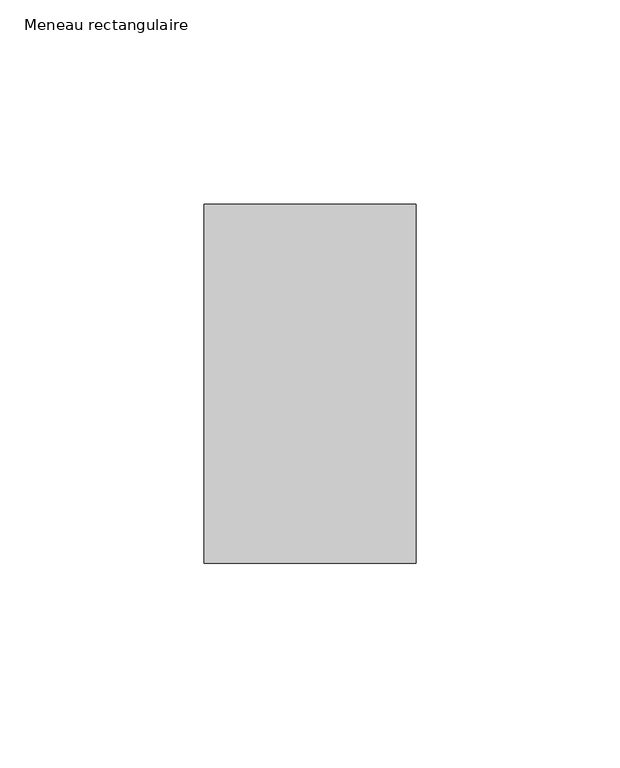
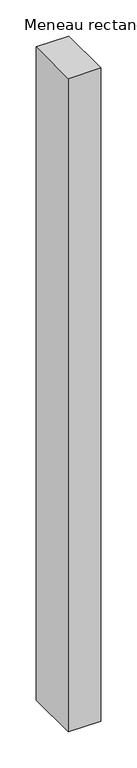
"""IFC4 building model written with IfcOpenShell, lengths in millimetres: member geometry, Meneau rectangulaire."""

from ifc_helpers import new_model, si_unit, frame, origin, place, context, project, spatial, polyline, outline, extrude, source, transform, mapped, element, save


def meneau_rectangulaire_f2db4b06(model_context):
    return source(origin(), model_context, "Body", "SweptSolid", [
        extrude(outline(polyline([(-52.0, 44.0), (0.0, 44.0), (0.0, -44.0), (-52.0, -44.0), (-52.0, 44.0)])), frame((0.0, 0.0, -1102.2500002), z_axis=(0.0, 0.0, 1.0), x_axis=(1.0, 0.0, 0.0)), (0.0, 0.0, 1.0), 1102.2500002),
    ])


if __name__ == "__main__":
    model = new_model("IFC4")
    model_context = context("Model", 3, world=origin())
    ifc_project = project(units=[si_unit("LENGTHUNIT", "METRE", prefix="MILLI")], contexts=[model_context])
    site = spatial("IfcSite", under=ifc_project)
    building = spatial("IfcBuilding", under=site)
    placement = place(None, origin())
    meneau_rectangulaire_shape = meneau_rectangulaire_f2db4b06(model_context)
    element("IfcMember", 1, ObjectType="Meneau rectangulaire", at=placement, inside=building, context=model_context, shape_type="MappedRepresentation", body=[
        mapped(meneau_rectangulaire_shape, transform((0.0, 0.0, 0.0), x_axis=(1.0, 0.0, 0.0), y_axis=(0.0, 1.0, 0.0), z_axis=(0.0, 0.0, 1.0))),
    ])
    save(model, "model.ifc")
